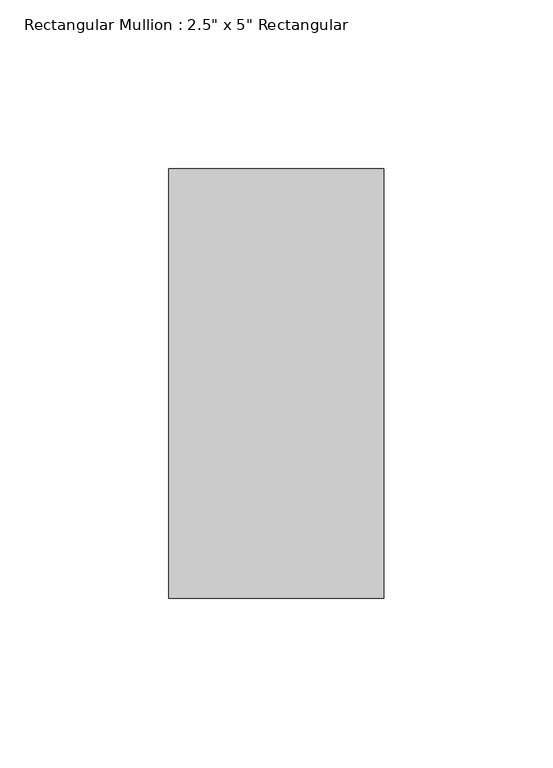
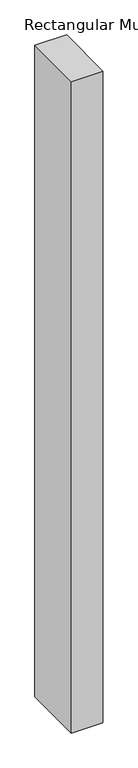
"""IFC4 building model written with IfcOpenShell, lengths in millimetres: member geometry."""

from ifc_helpers import new_model, si_unit, frame, origin, place, context, project, spatial, polyline, outline, extrude, source, transform, mapped, element, save


def member_e1cf819f(model_context):
    return source(origin(), model_context, "Body", "SweptSolid", [
        extrude(outline(polyline([(0.0, 63.5), (0.0, -63.5), (-63.5, -63.5), (-63.5, 63.5), (0.0, 63.5)])), frame((0.0, 0.0, -1384.3), z_axis=(0.0, 0.0, 1.0), x_axis=(1.0, 0.0, 0.0)), (0.0, 0.0, 1.0), 1384.3),
    ])


if __name__ == "__main__":
    model = new_model("IFC4")
    model_context = context("Model", 3, world=origin())
    ifc_project = project(units=[si_unit("LENGTHUNIT", "METRE", prefix="MILLI")], contexts=[model_context])
    site = spatial("IfcSite", under=ifc_project)
    building = spatial("IfcBuilding", under=site)
    placement = place(None, origin())
    member_shape = member_e1cf819f(model_context)
    element("IfcMember", 1, ObjectType="Rectangular Mullion : 2.5\" x 5\" Rectangular", at=placement, inside=building, context=model_context, shape_type="MappedRepresentation", body=[
        mapped(member_shape, transform((0.0, 0.0, 0.0), x_axis=(1.0, 0.0, 0.0), y_axis=(0.0, 1.0, 0.0), z_axis=(0.0, 0.0, 1.0))),
    ])
    save(model, "model.ifc")
